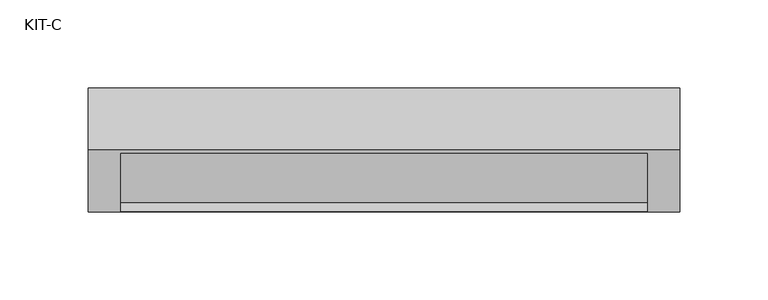
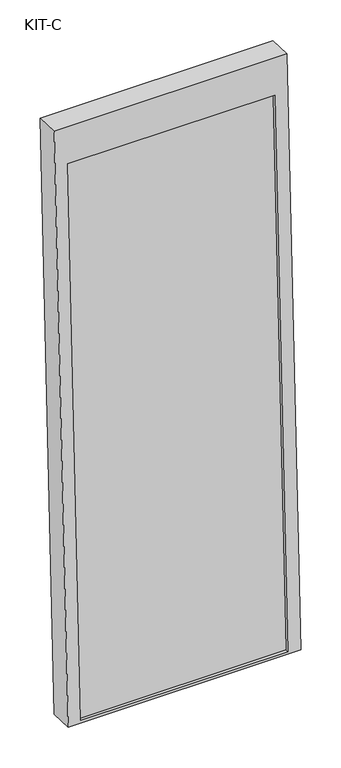
"""IFC4 building model written with IfcOpenShell, lengths in millimetres: plate geometry, KIT-C."""

import ifcopenshell
import ifcopenshell.guid

model = None  # the IFC model being written
_history = None  # IfcOwnerHistory: only IFC2X3 demands one
_inside = {}  # id of a spatial element -> (the spatial element, [elements in it])
_under = {}  # id of a project, library or spatial element -> (it, [spatial elements below it])
_declared = {}  # id of a project -> (the project, [libraries it declares])
_typed = {}  # id of a type object -> (the type object, [elements of that type])
_made_of = {}  # id of a material, layer set ... -> (it, [elements and type objects made of it])


def new_model(schema):
    """Start an empty IFC model of exactly this schema.

    Asked for "IFC4X3", IfcOpenShell would pick the latest addendum, in which some entities
    have other attributes; the version numbers below select the first issue.
    IFC2X3 requires an IfcOwnerHistory on every rooted entity: one is made here for all.
    """
    global model, _history
    if schema == "IFC4X3":
        model = ifcopenshell.file(schema_version=(4, 3, 0, 0))
    else:
        model = ifcopenshell.file(schema=schema)
    _inside.clear()
    _under.clear()
    _declared.clear()
    _typed.clear()
    _made_of.clear()
    _history = None
    if model.schema == "IFC2X3":
        org = make("IfcOrganization", Name="unknown")
        user = make(
            "IfcPersonAndOrganization",
            ThePerson=make("IfcPerson", FamilyName="unknown"),
            TheOrganization=org,
        )
        app = make(
            "IfcApplication",
            ApplicationDeveloper=org,
            Version="unknown",
            ApplicationFullName="unknown",
            ApplicationIdentifier="unknown",
        )
        _history = make(
            "IfcOwnerHistory",
            OwningUser=user,
            OwningApplication=app,
            ChangeAction="ADDED",
            CreationDate=0,
        )
    return model


def make(cls, **values):
    """One entity of the class cls with the attributes given. An attribute that is None is left unset."""
    return model.create_entity(
        cls, **{name: value for name, value in values.items() if value is not None}
    )


def rooted(cls, **values):
    """An entity with a GlobalId (a new one), such as an element, a storey or a relation."""
    return make(cls, GlobalId=ifcopenshell.guid.new(), OwnerHistory=_history, **values)


def si_unit(unit_type, name, prefix=None):
    """IfcSIUnit, for example si_unit("LENGTHUNIT", "METRE", prefix="MILLI")."""
    return make("IfcSIUnit", UnitType=unit_type, Prefix=prefix, Name=name)


def assignment(units):
    """IfcUnitAssignment: the units of a project."""
    return None if units is None else make("IfcUnitAssignment", Units=units)


def point(xyz):
    """IfcCartesianPoint."""
    return None if xyz is None else make("IfcCartesianPoint", Coordinates=xyz)


def direction(xyz):
    """IfcDirection."""
    return None if xyz is None else make("IfcDirection", DirectionRatios=xyz)


def frame(location, z_axis=None, x_axis=None):
    """IfcAxis2Placement3D, a coordinate frame: its origin and axes. An axis left out is left unset."""
    return make(
        "IfcAxis2Placement3D",
        Location=point(location),
        Axis=direction(z_axis),
        RefDirection=direction(x_axis),
    )


def origin():
    """The frame at (0, 0, 0) with its axes left unset."""
    return frame((0.0, 0.0, 0.0))


def place(relative_to, where):
    """IfcLocalPlacement: puts the frame where relative to a parent placement (None: the world)."""
    return make(
        "IfcLocalPlacement", PlacementRelTo=relative_to, RelativePlacement=where
    )


def context(
    kind, dimensions, precision=None, world=None, true_north=None, identifier=None
):
    """IfcGeometricRepresentationContext, for example the 3D "Model" context."""
    return make(
        "IfcGeometricRepresentationContext",
        ContextIdentifier=identifier,
        ContextType=kind,
        CoordinateSpaceDimension=dimensions,
        Precision=precision,
        WorldCoordinateSystem=world,
        TrueNorth=true_north,
    )


def project(units=None, contexts=None):
    """IfcProject with its units and contexts."""
    return rooted(
        "IfcProject",
        Name="project",
        RepresentationContexts=contexts,
        UnitsInContext=assignment(units),
    )


def spatial(cls, under=None, at=None, **own):
    """A site, building, storey or space (cls), placed at a placement, below another one or the project."""
    s = rooted(cls, ObjectPlacement=at, **own)
    if under is not None:
        _under.setdefault(under.id(), (under, []))[1].append(s)
    return s


def polyline(points):
    """IfcPolyline through the points."""
    return make("IfcPolyline", Points=[point(p) for p in points])


def outline(outer, holes=None, kind="AREA"):
    """IfcArbitraryClosedProfileDef: a profile drawn as a closed curve; with holes, ...WithVoids."""
    if holes is None:
        return make("IfcArbitraryClosedProfileDef", ProfileType=kind, OuterCurve=outer)
    return make(
        "IfcArbitraryProfileDefWithVoids",
        ProfileType=kind,
        OuterCurve=outer,
        InnerCurves=holes,
    )


def extrude(swept, where, along, depth):
    """IfcExtrudedAreaSolid: the profile swept, set in the frame where, extruded along a direction by depth."""
    return make(
        "IfcExtrudedAreaSolid",
        SweptArea=swept,
        Position=where,
        ExtrudedDirection=direction(along),
        Depth=depth,
    )


def shape(context_of_items, identifier, shape_type, items):
    """IfcShapeRepresentation: the items that make up one representation, for example the "Body"."""
    return make(
        "IfcShapeRepresentation",
        ContextOfItems=context_of_items,
        RepresentationIdentifier=identifier,
        RepresentationType=shape_type,
        Items=items,
    )


def source(mapping_origin, context_of_items, identifier, shape_type, items):
    """IfcRepresentationMap: a shape defined once, which mapped items show again and again."""
    return make(
        "IfcRepresentationMap",
        MappingOrigin=mapping_origin,
        MappedRepresentation=shape(context_of_items, identifier, shape_type, items),
    )


def transform(
    local_origin,
    x_axis=None,
    y_axis=None,
    z_axis=None,
    scale=None,
    scale2=None,
    scale3=None,
    uniform=True,
):
    """IfcCartesianTransformationOperator3D, or its non-uniform kind. x_axis, y_axis, z_axis: its Axis1, 2, 3."""
    if uniform:
        return make(
            "IfcCartesianTransformationOperator3D",
            Axis1=direction(x_axis),
            Axis2=direction(y_axis),
            LocalOrigin=point(local_origin),
            Scale=scale,
            Axis3=direction(z_axis),
        )
    return make(
        "IfcCartesianTransformationOperator3DnonUniform",
        Axis1=direction(x_axis),
        Axis2=direction(y_axis),
        LocalOrigin=point(local_origin),
        Scale=scale,
        Axis3=direction(z_axis),
        Scale2=scale2,
        Scale3=scale3,
    )


def mapped(mapping_source, mapping_target):
    """IfcMappedItem: shows the shape of a source again, moved by a transform."""
    return make(
        "IfcMappedItem", MappingSource=mapping_source, MappingTarget=mapping_target
    )


def made_of(thing, what):
    """Note that an element or type object is made of a material, layer set ...; save() writes the relation."""
    if what is not None:
        _made_of.setdefault(what.id(), (what, []))[1].append(thing)
    return thing


def element(
    cls,
    number,
    at=None,
    inside=None,
    cuts=None,
    type_object=None,
    material=None,
    context=None,
    identifier="Body",
    shape_type=None,
    held_by="IfcProductDefinitionShape",
    body=None,
    shapes=None,
    **own,
):
    """One element of the class cls, such as IfcWall. Its Tag is "e" and its number.

    at: its placement. inside: the storey or other place that contains it. cuts: it is an
    opening in that element (IfcRelVoidsElement). A single representation is given by context,
    identifier, shape_type and body (its items); several are given by shapes. held_by: the class
    of the entity that holds the representations. save() writes the other relations.
    """
    e = rooted(cls, Tag="e%d" % number, ObjectPlacement=at, **own)
    if body is not None:
        shapes = [shape(context, identifier, shape_type, body)]
    if shapes is not None:
        e.Representation = make(held_by, Representations=shapes)
    if inside is not None:
        _inside.setdefault(inside.id(), (inside, []))[1].append(e)
    if cuts is not None:
        rooted(
            "IfcRelVoidsElement", RelatingBuildingElement=cuts, RelatedOpeningElement=e
        )
    if type_object is not None:
        _typed.setdefault(type_object.id(), (type_object, []))[1].append(e)
    return made_of(e, material)


def aggregate(whole, parts):
    """IfcRelAggregates: a whole, such as a stair, and the parts it consists of."""
    return rooted("IfcRelAggregates", RelatingObject=whole, RelatedObjects=parts)


def save(model, path):
    """Write the relations noted so far, then the file.

    IfcRelAggregates (storeys below a building ...), IfcRelContainedInSpatialStructure (elements
    in a storey), IfcRelDefinesByType, IfcRelAssociatesMaterial and IfcRelDeclares: one each for
    every whole, place, type object, material and project.
    """
    for whole, parts in _under.values():
        aggregate(whole, parts)
    for where, things in _inside.values():
        rooted(
            "IfcRelContainedInSpatialStructure",
            RelatedElements=things,
            RelatingStructure=where,
        )
    for kind, things in _typed.values():
        rooted("IfcRelDefinesByType", RelatedObjects=things, RelatingType=kind)
    for what, things in _made_of.values():
        rooted("IfcRelAssociatesMaterial", RelatedObjects=things, RelatingMaterial=what)
    for by, libraries in _declared.values():
        rooted("IfcRelDeclares", RelatingContext=by, RelatedDefinitions=libraries)
    model.write(path)


def kit_c_a07c0302(model_context):
    return source(origin(), model_context, "Body", "SweptSolid", [
        extrude(outline(polyline([(0.0, -299.0), (0.0, 0.0), (27.4505712, 0.0), (27.4505712, -299.0), (0.0, -299.0)])), frame((-149.5, -68.9130408, -49.1358985), z_axis=(0.0, 0.03973683410233643, 0.9992101801000245), x_axis=(0.0, 0.9992101801000245, -0.03973683410233643)), (0.0, 0.0, 1.0), 828.6315929),
        extrude(outline(polyline([(0.0, 0.0), (0.0, -336.0), (-887.1, -336.0), (-887.1, 0.0), (0.0, 0.0)]), holes=[polyline([(-55.0000001, -18.5), (-883.6315929, -18.5), (-883.6315929, -317.5), (-55.0000001, -317.5), (-55.0000001, -18.5)])]), frame((-168.0, -3.8240134, 832.6056796), z_axis=(0.0, -0.9992101801000246, 0.039736834102334216), x_axis=(0.0, 0.039736834102334216, 0.9992101801000246)), (0.0, 0.0, 1.0), 35.0),
    ])


if __name__ == "__main__":
    model = new_model("IFC4")
    model_context = context("Model", 3, world=origin())
    ifc_project = project(units=[si_unit("LENGTHUNIT", "METRE", prefix="MILLI")], contexts=[model_context])
    site = spatial("IfcSite", under=ifc_project)
    building = spatial("IfcBuilding", under=site)
    placement = place(None, origin())
    kit_c_shape = kit_c_a07c0302(model_context)
    element("IfcPlate", 1, ObjectType="KIT-C", at=placement, inside=building, context=model_context, shape_type="MappedRepresentation", body=[
        mapped(kit_c_shape, transform((0.0, 0.0, 0.0), x_axis=(1.0, 0.0, 0.0), y_axis=(0.0, 1.0, 0.0), z_axis=(0.0, 0.0, 1.0))),
    ])
    save(model, "model.ifc")
